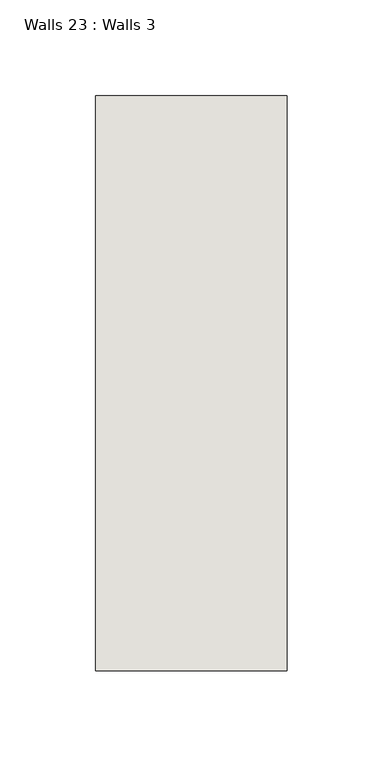
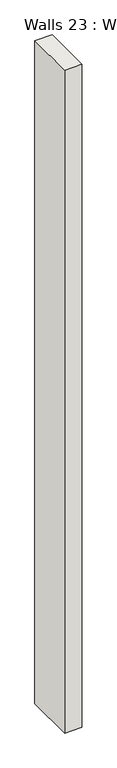
"""IFC4 building model written with IfcOpenShell, lengths in millimetres: wall geometry, Walls 23 : Walls 3."""

from ifc_helpers import new_model, si_unit, origin, origin_with_axes, place, context, project, spatial, polyline, outline, extrude, source, transform, mapped, element, save


def walls_23_walls_3_a834e859(model_context):
    return source(origin(), model_context, "Body", "SweptSolid", [
        extrude(outline(polyline([(-4612.3812655, 1518.41264), (-4612.3812655, 1818.41264), (-4512.3812655, 1818.41264), (-4512.3812655, 1518.41264), (-4612.3812655, 1518.41264)])), origin_with_axes(), (0.0, 0.0, 1.0), 4085.1192828),
    ])


if __name__ == "__main__":
    model = new_model("IFC4")
    model_context = context("Model", 3, world=origin())
    ifc_project = project(units=[si_unit("LENGTHUNIT", "METRE", prefix="MILLI")], contexts=[model_context])
    site = spatial("IfcSite", under=ifc_project)
    building = spatial("IfcBuilding", under=site)
    placement = place(None, origin())
    walls_23_walls_3_shape = walls_23_walls_3_a834e859(model_context)
    element("IfcWall", 1, ObjectType="Walls 23 : Walls 3", at=placement, inside=building, context=model_context, shape_type="MappedRepresentation", body=[
        mapped(walls_23_walls_3_shape, transform((0.0, 0.0, 0.0), x_axis=(1.0, 0.0, 0.0), y_axis=(0.0, 1.0, 0.0), z_axis=(0.0, 0.0, 1.0))),
    ])
    save(model, "model.ifc")
